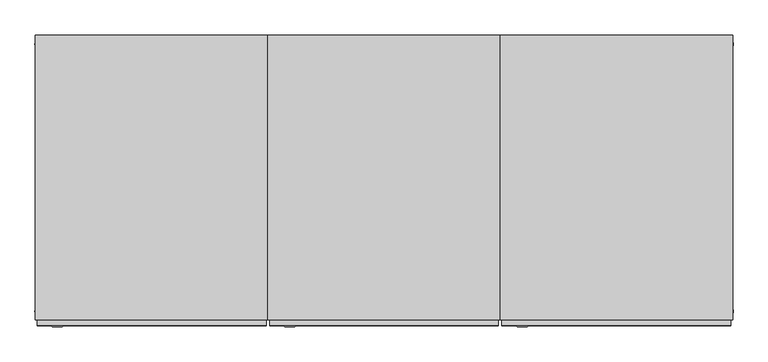
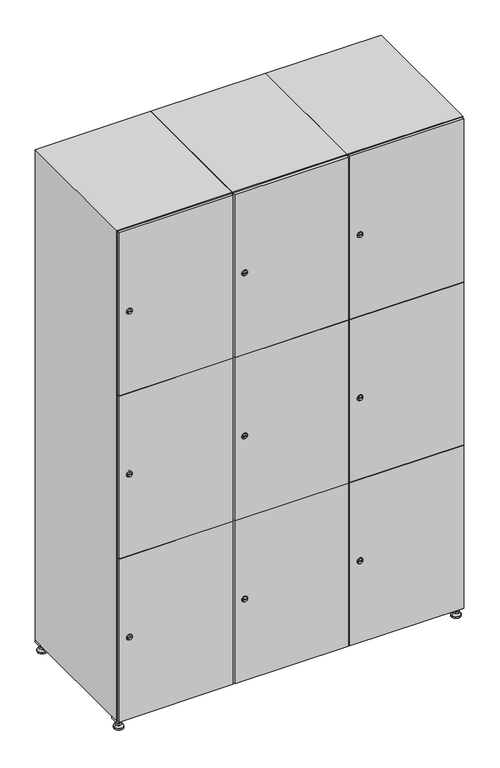
"""IFC4 building model written with IfcOpenShell, lengths in millimetres: furniture geometry."""

from ifc_helpers import new_model, si_unit, point, frame, frame_2d, origin, origin_with_axes, place, context, project, spatial, polyline, circle_curve, trimmed, segment, composite_curve, outline, extrude, faceted_brep, source, transform, mapped, element, save
from ifc_brep_helpers import plane_surface, revolved_surface, advanced_brep


def furniture_83f51d5f(model_context):
    return source(origin(), model_context, "Body", "SolidModel", [
        extrude(outline(polyline([(1000.0, 245.0), (1000.0, 215.0), (970.0, 215.0), (970.0, 245.0), (1000.0, 245.0)]), holes=[polyline([(998.0, 243.0), (972.0, 243.0), (972.0, 217.0), (998.0, 217.0), (998.0, 243.0)])]), frame((0.0, 0.0, 28.5), z_axis=(0.0, 0.0, 1.0), x_axis=(1.0, 0.0, 0.0)), (0.0, 0.0, 1.0), 6.5),
        extrude(outline(polyline([(970.0, -245.0), (970.0, -215.0), (1000.0, -215.0), (1000.0, -245.0), (970.0, -245.0)]), holes=[polyline([(972.0, -243.0), (998.0, -243.0), (998.0, -217.0), (972.0, -217.0), (972.0, -243.0)])]), frame((0.0, 0.0, 28.5), z_axis=(0.0, 0.0, 1.0), x_axis=(1.0, 0.0, 0.0)), (0.0, 0.0, 1.0), 6.5),
        extrude(outline(polyline([(-170.0, 245.0), (-170.0, 215.0), (-200.0, 215.0), (-200.0, 245.0), (-170.0, 245.0)]), holes=[polyline([(-172.0, 243.0), (-198.0, 243.0), (-198.0, 217.0), (-172.0, 217.0), (-172.0, 243.0)])]), frame((0.0, 0.0, 28.5), z_axis=(0.0, 0.0, 1.0), x_axis=(1.0, 0.0, 0.0)), (0.0, 0.0, 1.0), 6.5),
        extrude(outline(polyline([(-170.0, -215.0), (-170.0, -245.0), (-200.0, -245.0), (-200.0, -215.0), (-170.0, -215.0)]), holes=[polyline([(-198.0, -243.0), (-172.0, -243.0), (-172.0, -217.0), (-198.0, -217.0), (-198.0, -243.0)])]), frame((0.0, 0.0, 28.5), z_axis=(0.0, 0.0, 1.0), x_axis=(1.0, 0.0, 0.0)), (0.0, 0.0, 1.0), 6.5),
        extrude(outline(composite_curve([segment(trimmed(circle_curve(frame_2d((-185.0, 230.0)), 5.0), [point((-180.0, 230.0))], [point((-190.0, 230.0))], False, "CARTESIAN"), True, "CONTINUOUS"), segment(trimmed(circle_curve(frame_2d((-185.0, 230.0)), 5.0), [point((-190.0, 230.0))], [point((-180.0, 230.0))], False, "CARTESIAN"), True, "CONTINUOUS")], self_intersect=False)), frame((0.0, 0.0, 19.6), z_axis=(0.0, 0.0, 1.0), x_axis=(1.0, 0.0, 0.0)), (0.0, 0.0, 1.0), 15.4),
        extrude(outline(composite_curve([segment(trimmed(circle_curve(frame_2d((-185.0, -230.0)), 5.0), [point((-180.0, -230.0))], [point((-190.0, -230.0))], False, "CARTESIAN"), True, "CONTINUOUS"), segment(trimmed(circle_curve(frame_2d((-185.0, -230.0)), 5.0), [point((-190.0, -230.0))], [point((-180.0, -230.0))], False, "CARTESIAN"), True, "CONTINUOUS")], self_intersect=False)), frame((0.0, 0.0, 19.6), z_axis=(0.0, 0.0, 1.0), x_axis=(1.0, 0.0, 0.0)), (0.0, 0.0, 1.0), 15.4),
        extrude(outline(composite_curve([segment(trimmed(circle_curve(frame_2d((985.0, 230.0)), 5.0), [point((990.0, 230.0))], [point((980.0, 230.0))], False, "CARTESIAN"), True, "CONTINUOUS"), segment(trimmed(circle_curve(frame_2d((985.0, 230.0)), 5.0), [point((980.0, 230.0))], [point((990.0, 230.0))], False, "CARTESIAN"), True, "CONTINUOUS")], self_intersect=False)), frame((0.0, 0.0, 19.6), z_axis=(0.0, 0.0, 1.0), x_axis=(1.0, 0.0, 0.0)), (0.0, 0.0, 1.0), 15.4),
        extrude(outline(polyline([(973.4529946, 230.0), (979.2264973, 240.0), (990.7735027, 240.0), (996.5470054, 230.0), (990.7735027, 220.0), (979.2264973, 220.0), (973.4529946, 230.0)])), frame((0.0, 0.0, 13.6), z_axis=(0.0, 0.0, 1.0), x_axis=(1.0, 0.0, 0.0)), (0.0, 0.0, 1.0), 6.0),
        extrude(outline(composite_curve([segment(trimmed(circle_curve(frame_2d((985.0, -230.0)), 5.0), [point((990.0, -230.0))], [point((980.0, -230.0))], False, "CARTESIAN"), True, "CONTINUOUS"), segment(trimmed(circle_curve(frame_2d((985.0, -230.0)), 5.0), [point((980.0, -230.0))], [point((990.0, -230.0))], False, "CARTESIAN"), True, "CONTINUOUS")], self_intersect=False)), frame((0.0, 0.0, 19.6), z_axis=(0.0, 0.0, 1.0), x_axis=(1.0, 0.0, 0.0)), (0.0, 0.0, 1.0), 15.4),
        extrude(outline(polyline([(973.4529946, -230.0), (979.2264973, -220.0), (990.7735027, -220.0), (996.5470054, -230.0), (990.7735027, -240.0), (979.2264973, -240.0), (973.4529946, -230.0)])), frame((0.0, 0.0, 13.6), z_axis=(0.0, 0.0, 1.0), x_axis=(1.0, 0.0, 0.0)), (0.0, 0.0, 1.0), 6.0),
        extrude(outline(composite_curve([segment(trimmed(circle_curve(frame_2d((985.0, 230.0)), 5.0), [point((990.0, 230.0))], [point((980.0, 230.0))], False, "CARTESIAN"), True, "CONTINUOUS"), segment(trimmed(circle_curve(frame_2d((985.0, 230.0)), 5.0), [point((980.0, 230.0))], [point((990.0, 230.0))], False, "CARTESIAN"), True, "CONTINUOUS")], self_intersect=False)), frame((0.0, 0.0, 12.1), z_axis=(0.0, 0.0, 1.0), x_axis=(1.0, 0.0, 0.0)), (0.0, 0.0, 1.0), 1.5),
        extrude(outline(composite_curve([segment(trimmed(circle_curve(frame_2d((985.0, -230.0)), 5.0), [point((990.0, -230.0))], [point((980.0, -230.0))], False, "CARTESIAN"), True, "CONTINUOUS"), segment(trimmed(circle_curve(frame_2d((985.0, -230.0)), 5.0), [point((980.0, -230.0))], [point((990.0, -230.0))], False, "CARTESIAN"), True, "CONTINUOUS")], self_intersect=False)), frame((0.0, 0.0, 12.1), z_axis=(0.0, 0.0, 1.0), x_axis=(1.0, 0.0, 0.0)), (0.0, 0.0, 1.0), 1.5),
        extrude(outline(polyline([(-196.5470054, 230.0), (-190.7735027, 240.0), (-179.2264973, 240.0), (-173.4529946, 230.0), (-179.2264973, 220.0), (-190.7735027, 220.0), (-196.5470054, 230.0)])), frame((0.0, 0.0, 13.6), z_axis=(0.0, 0.0, 1.0), x_axis=(1.0, 0.0, 0.0)), (0.0, 0.0, 1.0), 6.0),
        extrude(outline(polyline([(-196.5470054, -230.0), (-190.7735027, -220.0), (-179.2264973, -220.0), (-173.4529946, -230.0), (-179.2264973, -240.0), (-190.7735027, -240.0), (-196.5470054, -230.0)])), frame((0.0, 0.0, 13.6), z_axis=(0.0, 0.0, 1.0), x_axis=(1.0, 0.0, 0.0)), (0.0, 0.0, 1.0), 6.0),
        extrude(outline(composite_curve([segment(trimmed(circle_curve(frame_2d((-185.0, 230.0)), 5.0), [point((-185.0, 235.0))], [point((-185.0, 225.0))], False, "CARTESIAN"), True, "CONTINUOUS"), segment(trimmed(circle_curve(frame_2d((-185.0, 230.0)), 5.0), [point((-185.0, 225.0))], [point((-185.0, 235.0))], False, "CARTESIAN"), True, "CONTINUOUS")], self_intersect=False)), frame((0.0, 0.0, 12.1), z_axis=(0.0, 0.0, 1.0), x_axis=(1.0, 0.0, 0.0)), (0.0, 0.0, 1.0), 1.5),
        extrude(outline(composite_curve([segment(trimmed(circle_curve(frame_2d((-185.0, -230.0)), 5.0), [point((-180.0, -230.0))], [point((-190.0, -230.0))], False, "CARTESIAN"), True, "CONTINUOUS"), segment(trimmed(circle_curve(frame_2d((-185.0, -230.0)), 5.0), [point((-190.0, -230.0))], [point((-180.0, -230.0))], False, "CARTESIAN"), True, "CONTINUOUS")], self_intersect=False)), frame((0.0, 0.0, 12.1), z_axis=(0.0, 0.0, 1.0), x_axis=(1.0, 0.0, 0.0)), (0.0, 0.0, 1.0), 1.5),
        extrude(outline(composite_curve([segment(trimmed(circle_curve(frame_2d((985.0, 230.0)), 15.75), [point((1000.75, 230.0))], [point((969.25, 230.0))], False, "CARTESIAN"), True, "CONTINUOUS"), segment(trimmed(circle_curve(frame_2d((985.0, 230.0)), 15.75), [point((969.25, 230.0))], [point((1000.75, 230.0))], False, "CARTESIAN"), True, "CONTINUOUS")], self_intersect=False)), origin_with_axes(), (0.0, 0.0, 1.0), 5.1),
        extrude(outline(composite_curve([segment(trimmed(circle_curve(frame_2d((985.0, -230.0)), 15.75), [point((985.0, -214.25))], [point((985.0, -245.75))], False, "CARTESIAN"), True, "CONTINUOUS"), segment(trimmed(circle_curve(frame_2d((985.0, -230.0)), 15.75), [point((985.0, -245.75))], [point((985.0, -214.25))], False, "CARTESIAN"), True, "CONTINUOUS")], self_intersect=False)), origin_with_axes(), (0.0, 0.0, 1.0), 5.1),
        extrude(outline(composite_curve([segment(trimmed(circle_curve(frame_2d((-185.0, -230.0)), 15.75), [point((-169.25, -230.0))], [point((-200.75, -230.0))], False, "CARTESIAN"), True, "CONTINUOUS"), segment(trimmed(circle_curve(frame_2d((-185.0, -230.0)), 15.75), [point((-200.75, -230.0))], [point((-169.25, -230.0))], False, "CARTESIAN"), True, "CONTINUOUS")], self_intersect=False)), origin_with_axes(), (0.0, 0.0, 1.0), 5.1),
        extrude(outline(composite_curve([segment(trimmed(circle_curve(frame_2d((-185.0, 230.0)), 15.75), [point((-169.25, 230.0))], [point((-200.75, 230.0))], False, "CARTESIAN"), True, "CONTINUOUS"), segment(trimmed(circle_curve(frame_2d((-185.0, 230.0)), 15.75), [point((-200.75, 230.0))], [point((-169.25, 230.0))], False, "CARTESIAN"), True, "CONTINUOUS")], self_intersect=False)), origin_with_axes(), (0.0, 0.0, 1.0), 5.1),
        advanced_brep(
        [(-185.0, 239.5, 12.1), (-185.0, 220.5, 12.1), (-185.0, 214.25, 5.1), (-185.0, 245.75, 5.1)],
        [
            (0, 1, circle_curve(frame((-185.0, 230.0, 12.1), z_axis=(0.0, 0.0, -1.0), x_axis=(0.0, 1.0, 0.0)), 9.5)),
            (1, 2),
            (2, 3, circle_curve(frame((-185.0, 230.0, 5.1), z_axis=(0.0, 0.0, 1.0), x_axis=(0.0, 1.0, 0.0)), 15.75)),
            (3, 0),
            (1, 0, circle_curve(frame((-185.0, 230.0, 12.1), z_axis=(0.0, 0.0, -1.0), x_axis=(0.0, -1.0, 0.0)), 9.5)),
            (3, 2, circle_curve(frame((-185.0, 230.0, 5.1), z_axis=(0.0, 0.0, 1.0), x_axis=(0.0, -1.0, 0.0)), 15.75)),
        ],
        [
            revolved_surface(polyline([(-185.0, 220.5, 12.099999999999998), (-185.0, 214.25, 5.099999999999998)]), (-185.0, 230.0, 22.74), (0.0, 0.0, -1.0)),
            revolved_surface(polyline([(-185.0, 239.5, 12.099999999999998), (-185.0, 245.75, 5.099999999999998)]), (-185.0, 230.0, 22.74), (0.0, 0.0, -1.0)),
            plane_surface(frame((-185.0, 230.0, 5.1), z_axis=(0.0, 0.0, -1.0), x_axis=(1.0, 0.0, 0.0))),
            plane_surface(frame((-185.0, 230.0, 12.1), z_axis=(0.0, 0.0, 1.0), x_axis=(1.0, 0.0, 0.0))),
        ],
        [
            (0, [[1, 2, 3, 4]]),
            (1, [[5, -4, 6, -2]]),
            (2, [[-3, -6]]),
            (3, [[-5, -1]]),
        ],
    ),
        advanced_brep(
        [(985.0, 239.5, 12.1), (985.0, 220.5, 12.1), (985.0, 214.25, 5.1), (985.0, 245.75, 5.1)],
        [
            (0, 1, circle_curve(frame((985.0, 230.0, 12.1), z_axis=(0.0, 0.0, -1.0), x_axis=(0.0, 1.0, 0.0)), 9.5)),
            (1, 2),
            (2, 3, circle_curve(frame((985.0, 230.0, 5.1), z_axis=(0.0, 0.0, 1.0), x_axis=(0.0, 1.0, 0.0)), 15.75)),
            (3, 0),
            (1, 0, circle_curve(frame((985.0, 230.0, 12.1), z_axis=(0.0, 0.0, -1.0), x_axis=(0.0, -1.0, 0.0)), 9.5)),
            (3, 2, circle_curve(frame((985.0, 230.0, 5.1), z_axis=(0.0, 0.0, 1.0), x_axis=(0.0, -1.0, 0.0)), 15.75)),
        ],
        [
            revolved_surface(polyline([(985.0, 220.5, 12.099999999999998), (985.0, 214.25, 5.099999999999998)]), (985.0, 230.0, 22.74), (0.0, 0.0, -1.0)),
            revolved_surface(polyline([(985.0, 239.5, 12.099999999999998), (985.0, 245.75, 5.099999999999998)]), (985.0, 230.0, 22.74), (0.0, 0.0, -1.0)),
            plane_surface(frame((985.0, 230.0, 5.1), z_axis=(0.0, 0.0, -1.0), x_axis=(1.0, 0.0, 0.0))),
            plane_surface(frame((985.0, 230.0, 12.1), z_axis=(0.0, 0.0, 1.0), x_axis=(1.0, 0.0, 0.0))),
        ],
        [
            (0, [[1, 2, 3, 4]]),
            (1, [[5, -4, 6, -2]]),
            (2, [[-3, -6]]),
            (3, [[-5, -1]]),
        ],
    ),
        advanced_brep(
        [(1000.75, -230.0, 5.1), (969.25, -230.0, 5.1), (975.5, -230.0, 12.1), (994.5, -230.0, 12.1)],
        [
            (0, 1, circle_curve(frame((985.0, -230.0, 5.1), z_axis=(0.0, 0.0, 1.0), x_axis=(1.0, 0.0, 0.0)), 15.75)),
            (1, 2),
            (2, 3, circle_curve(frame((985.0, -230.0, 12.1), z_axis=(0.0, 0.0, -1.0), x_axis=(1.0, 0.0, 0.0)), 9.5)),
            (3, 0),
            (1, 0, circle_curve(frame((985.0, -230.0, 5.1), z_axis=(0.0, 0.0, 1.0), x_axis=(-1.0, 0.0, 0.0)), 15.75)),
            (3, 2, circle_curve(frame((985.0, -230.0, 12.1), z_axis=(0.0, 0.0, -1.0), x_axis=(-1.0, 0.0, 0.0)), 9.5)),
        ],
        [
            revolved_surface(polyline([(994.5, -230.0, 12.099999999999998), (1000.75, -230.0, 5.099999999999998)]), (985.0, -230.0, 22.74), (0.0, 0.0, -1.0)),
            revolved_surface(polyline([(975.5, -230.0, 12.099999999999998), (969.25, -230.0, 5.099999999999998)]), (985.0, -230.0, 22.74), (0.0, 0.0, -1.0)),
            plane_surface(frame((985.0, -230.0, 12.1), z_axis=(0.0, 0.0, 1.0), x_axis=(0.0, 1.0, 0.0))),
            plane_surface(frame((985.0, -230.0, 5.1), z_axis=(0.0, 0.0, -1.0), x_axis=(0.0, 1.0, 0.0))),
        ],
        [
            (0, [[1, 2, 3, 4]]),
            (1, [[5, -4, 6, -2]]),
            (2, [[-3, -6]]),
            (3, [[-5, -1]]),
        ],
    ),
        advanced_brep(
        [(-169.25, -230.0, 5.1), (-200.75, -230.0, 5.1), (-194.5, -230.0, 12.1), (-175.5, -230.0, 12.1)],
        [
            (0, 1, circle_curve(frame((-185.0, -230.0, 5.1), z_axis=(0.0, 0.0, 1.0), x_axis=(1.0, 0.0, 0.0)), 15.75)),
            (1, 2),
            (2, 3, circle_curve(frame((-185.0, -230.0, 12.1), z_axis=(0.0, 0.0, -1.0), x_axis=(1.0, 0.0, 0.0)), 9.5)),
            (3, 0),
            (1, 0, circle_curve(frame((-185.0, -230.0, 5.1), z_axis=(0.0, 0.0, 1.0), x_axis=(-1.0, 0.0, 0.0)), 15.75)),
            (3, 2, circle_curve(frame((-185.0, -230.0, 12.1), z_axis=(0.0, 0.0, -1.0), x_axis=(-1.0, 0.0, 0.0)), 9.5)),
        ],
        [
            revolved_surface(polyline([(-175.5, -230.0, 12.099999999999998), (-169.25, -230.0, 5.099999999999998)]), (-185.0, -230.0, 22.74), (0.0, 0.0, -1.0)),
            revolved_surface(polyline([(-194.5, -230.0, 12.099999999999998), (-200.75, -230.0, 5.099999999999998)]), (-185.0, -230.0, 22.74), (0.0, 0.0, -1.0)),
            plane_surface(frame((-185.0, -230.0, 12.1), z_axis=(0.0, 0.0, 1.0), x_axis=(0.0, 1.0, 0.0))),
            plane_surface(frame((-185.0, -230.0, 5.1), z_axis=(0.0, 0.0, -1.0), x_axis=(0.0, 1.0, 0.0))),
        ],
        [
            (0, [[1, 2, 3, 4]]),
            (1, [[5, -4, 6, -2]]),
            (2, [[-3, -6]]),
            (3, [[-5, -1]]),
        ],
    ),
        extrude(outline(composite_curve([segment(trimmed(circle_curve(frame_2d((337.0, 611.2010534)), 7.0), [point((344.0, 611.2010534))], [point((330.0, 611.2010534))], False, "CARTESIAN"), True, "CONTINUOUS"), segment(polyline([(330.0, 611.2010534), (330.0, 639.2010534)]), True, "CONTINUOUS"), segment(trimmed(circle_curve(frame_2d((337.0, 639.2010534)), 7.0), [point((330.0, 639.2010534))], [point((344.0, 639.2010534))], False, "CARTESIAN"), True, "CONTINUOUS"), segment(polyline([(344.0, 639.2010534), (344.0, 611.2010534)]), True, "CONTINUOUS")], self_intersect=False)), frame((0.0, -245.0, 0.0), z_axis=(0.0, 1.0, 0.0), x_axis=(0.0, 0.0, 1.0)), (0.0, 0.0, 1.0), 2.0),
        advanced_brep(
        [(646.5, -257.2, 337.0), (629.5, -257.2, 337.0), (633.0, -257.2, 335.75), (633.0, -257.2, 338.25), (643.0, -257.2, 338.25), (643.0, -257.2, 335.75), (648.5, -255.0, 337.0), (627.5, -255.0, 337.0), (633.0, -255.0, 338.25), (633.0, -255.0, 335.75), (643.0, -255.0, 335.75), (643.0, -255.0, 338.25)],
        [
            (0, 1, circle_curve(frame((638.0, -257.2, 337.0), z_axis=(0.0, -1.0, 0.0), x_axis=(1.0, 0.0, 0.0)), 8.5)),
            (1, 0, circle_curve(frame((638.0, -257.2, 337.0), z_axis=(0.0, -1.0, 0.0), x_axis=(-1.0, 0.0, 0.0)), 8.5)),
            (2, 3),
            (3, 4),
            (4, 5),
            (5, 2),
            (6, 7, circle_curve(frame((638.0, -255.0, 337.0), z_axis=(0.0, 1.0, 0.0), x_axis=(-1.0, 0.0, 0.0)), 10.5)),
            (7, 6, circle_curve(frame((638.0, -255.0, 337.0), z_axis=(0.0, 1.0, 0.0), x_axis=(1.0, 0.0, 0.0)), 10.5)),
            (8, 9),
            (9, 10),
            (10, 11),
            (11, 8),
            (0, 6),
            (7, 1),
            (8, 3),
            (2, 9),
            (11, 4),
            (10, 5),
        ],
        [
            plane_surface(frame((638.0, -257.2, 337.0), z_axis=(0.0, -1.0, 0.0), x_axis=(0.0, 0.0, 1.0))),
            plane_surface(frame((638.0, -255.0, 337.0), z_axis=(0.0, 1.0, 0.0), x_axis=(0.0, 0.0, 1.0))),
            revolved_surface(polyline([(646.5, -257.2, 337.0), (648.5, -255.0, 337.0)]), (638.0, -266.55, 337.0), (0.0, 1.0, 0.0)),
            revolved_surface(polyline([(629.5, -257.2, 337.0), (627.5, -255.0, 337.0)]), (638.0, -266.55, 337.0), (0.0, 1.0, 0.0)),
            plane_surface(frame((633.0, -255.0, 335.75), z_axis=(1.0, 0.0, 0.0), x_axis=(0.0, -1.0, 0.0))),
            plane_surface(frame((633.0, -255.0, 338.25), z_axis=(0.0, 0.0, -1.0), x_axis=(0.0, -1.0, 0.0))),
            plane_surface(frame((643.0, -255.0, 338.25), z_axis=(-1.0, 0.0, 0.0), x_axis=(0.0, -1.0, 0.0))),
            plane_surface(frame((643.0, -255.0, 335.75), z_axis=(0.0, 0.0, 1.0), x_axis=(0.0, -1.0, 0.0))),
        ],
        [
            (0, [[1, 2], [3, 4, 5, 6]]),
            (1, [[7, 8], [9, 10, 11, 12]]),
            (2, [[-1, 13, -8, 14]]),
            (3, [[-2, -14, -7, -13]]),
            (4, [[15, -3, 16, -9]]),
            (5, [[-15, -12, 17, -4]]),
            (6, [[-17, -11, 18, -5]]),
            (7, [[-16, -6, -18, -10]]),
        ],
    ),
        extrude(outline(composite_curve([segment(trimmed(circle_curve(frame_2d((935.0, 611.2010534)), 7.0), [point((942.0, 611.2010534))], [point((928.0, 611.2010534))], False, "CARTESIAN"), True, "CONTINUOUS"), segment(polyline([(928.0, 611.2010534), (928.0, 639.2010534)]), True, "CONTINUOUS"), segment(trimmed(circle_curve(frame_2d((935.0, 639.2010534)), 7.0), [point((928.0, 639.2010534))], [point((942.0, 639.2010534))], False, "CARTESIAN"), True, "CONTINUOUS"), segment(polyline([(942.0, 639.2010534), (942.0, 611.2010534)]), True, "CONTINUOUS")], self_intersect=False)), frame((0.0, -245.0, 0.0), z_axis=(0.0, 1.0, 0.0), x_axis=(0.0, 0.0, 1.0)), (0.0, 0.0, 1.0), 2.0),
        advanced_brep(
        [(646.5, -257.2, 935.0), (629.5, -257.2, 935.0), (633.0, -257.2, 933.75), (633.0, -257.2, 936.25), (643.0, -257.2, 936.25), (643.0, -257.2, 933.75), (648.5, -255.0, 935.0), (627.5, -255.0, 935.0), (633.0, -255.0, 936.25), (633.0, -255.0, 933.75), (643.0, -255.0, 933.75), (643.0, -255.0, 936.25)],
        [
            (0, 1, circle_curve(frame((638.0, -257.2, 935.0), z_axis=(0.0, -1.0, 0.0), x_axis=(1.0, 0.0, 0.0)), 8.5)),
            (1, 0, circle_curve(frame((638.0, -257.2, 935.0), z_axis=(0.0, -1.0, 0.0), x_axis=(-1.0, 0.0, 0.0)), 8.5)),
            (2, 3),
            (3, 4),
            (4, 5),
            (5, 2),
            (6, 7, circle_curve(frame((638.0, -255.0, 935.0), z_axis=(0.0, 1.0, 0.0), x_axis=(-1.0, 0.0, 0.0)), 10.5)),
            (7, 6, circle_curve(frame((638.0, -255.0, 935.0), z_axis=(0.0, 1.0, 0.0), x_axis=(1.0, 0.0, 0.0)), 10.5)),
            (8, 9),
            (9, 10),
            (10, 11),
            (11, 8),
            (0, 6),
            (7, 1),
            (8, 3),
            (2, 9),
            (11, 4),
            (10, 5),
        ],
        [
            plane_surface(frame((638.0, -257.2, 935.0), z_axis=(0.0, -1.0, 0.0), x_axis=(0.0, 0.0, 1.0))),
            plane_surface(frame((638.0, -255.0, 935.0), z_axis=(0.0, 1.0, 0.0), x_axis=(0.0, 0.0, 1.0))),
            revolved_surface(polyline([(646.5, -257.2, 935.0), (648.5, -255.0, 935.0)]), (638.0, -266.55, 935.0), (0.0, 1.0, 0.0)),
            revolved_surface(polyline([(629.5, -257.2, 935.0), (627.5, -255.0, 935.0)]), (638.0, -266.55, 935.0), (0.0, 1.0, 0.0)),
            plane_surface(frame((633.0, -255.0, 933.75), z_axis=(1.0, 0.0, 0.0), x_axis=(0.0, -1.0, 0.0))),
            plane_surface(frame((633.0, -255.0, 936.25), z_axis=(0.0, 0.0, -1.0), x_axis=(0.0, -1.0, 0.0))),
            plane_surface(frame((643.0, -255.0, 936.25), z_axis=(-1.0, 0.0, 0.0), x_axis=(0.0, -1.0, 0.0))),
            plane_surface(frame((643.0, -255.0, 933.75), z_axis=(0.0, 0.0, 1.0), x_axis=(0.0, -1.0, 0.0))),
        ],
        [
            (0, [[1, 2], [3, 4, 5, 6]]),
            (1, [[7, 8], [9, 10, 11, 12]]),
            (2, [[-1, 13, -8, 14]]),
            (3, [[-2, -14, -7, -13]]),
            (4, [[15, -3, 16, -9]]),
            (5, [[-15, -12, 17, -4]]),
            (6, [[-17, -11, 18, -5]]),
            (7, [[-16, -6, -18, -10]]),
        ],
    ),
        extrude(outline(composite_curve([segment(trimmed(circle_curve(frame_2d((1533.0, 611.2010534)), 7.0), [point((1540.0, 611.2010534))], [point((1526.0, 611.2010534))], False, "CARTESIAN"), True, "CONTINUOUS"), segment(polyline([(1526.0, 611.2010534), (1526.0, 639.2010534)]), True, "CONTINUOUS"), segment(trimmed(circle_curve(frame_2d((1533.0, 639.2010534)), 7.0), [point((1526.0, 639.2010534))], [point((1540.0, 639.2010534))], False, "CARTESIAN"), True, "CONTINUOUS"), segment(polyline([(1540.0, 639.2010534), (1540.0, 611.2010534)]), True, "CONTINUOUS")], self_intersect=False)), frame((0.0, -245.0, 0.0), z_axis=(0.0, 1.0, 0.0), x_axis=(0.0, 0.0, 1.0)), (0.0, 0.0, 1.0), 2.0),
        advanced_brep(
        [(646.5, -257.2, 1533.0), (629.5, -257.2, 1533.0), (633.0, -257.2, 1531.75), (633.0, -257.2, 1534.25), (643.0, -257.2, 1534.25), (643.0, -257.2, 1531.75), (648.5, -255.0, 1533.0), (627.5, -255.0, 1533.0), (633.0, -255.0, 1534.25), (633.0, -255.0, 1531.75), (643.0, -255.0, 1531.75), (643.0, -255.0, 1534.25)],
        [
            (0, 1, circle_curve(frame((638.0, -257.2, 1533.0), z_axis=(0.0, -1.0, 0.0), x_axis=(1.0, 0.0, 0.0)), 8.5)),
            (1, 0, circle_curve(frame((638.0, -257.2, 1533.0), z_axis=(0.0, -1.0, 0.0), x_axis=(-1.0, 0.0, 0.0)), 8.5)),
            (2, 3),
            (3, 4),
            (4, 5),
            (5, 2),
            (6, 7, circle_curve(frame((638.0, -255.0, 1533.0), z_axis=(0.0, 1.0, 0.0), x_axis=(-1.0, 0.0, 0.0)), 10.5)),
            (7, 6, circle_curve(frame((638.0, -255.0, 1533.0), z_axis=(0.0, 1.0, 0.0), x_axis=(1.0, 0.0, 0.0)), 10.5)),
            (8, 9),
            (9, 10),
            (10, 11),
            (11, 8),
            (0, 6),
            (7, 1),
            (8, 3),
            (2, 9),
            (11, 4),
            (10, 5),
        ],
        [
            plane_surface(frame((638.0, -257.2, 1533.0), z_axis=(0.0, -1.0, 0.0), x_axis=(0.0, 0.0, 1.0))),
            plane_surface(frame((638.0, -255.0, 1533.0), z_axis=(0.0, 1.0, 0.0), x_axis=(0.0, 0.0, 1.0))),
            revolved_surface(polyline([(646.5, -257.2, 1533.0), (648.5, -255.0, 1533.0)]), (638.0, -266.55, 1533.0), (0.0, 1.0, 0.0)),
            revolved_surface(polyline([(629.5, -257.2, 1533.0), (627.5, -255.0, 1533.0)]), (638.0, -266.55, 1533.0), (0.0, 1.0, 0.0)),
            plane_surface(frame((633.0, -255.0, 1531.75), z_axis=(1.0, 0.0, 0.0), x_axis=(0.0, -1.0, 0.0))),
            plane_surface(frame((633.0, -255.0, 1534.25), z_axis=(0.0, 0.0, -1.0), x_axis=(0.0, -1.0, 0.0))),
            plane_surface(frame((643.0, -255.0, 1534.25), z_axis=(-1.0, 0.0, 0.0), x_axis=(0.0, -1.0, 0.0))),
            plane_surface(frame((643.0, -255.0, 1531.75), z_axis=(0.0, 0.0, 1.0), x_axis=(0.0, -1.0, 0.0))),
        ],
        [
            (0, [[1, 2], [3, 4, 5, 6]]),
            (1, [[7, 8], [9, 10, 11, 12]]),
            (2, [[-1, 13, -8, 14]]),
            (3, [[-2, -14, -7, -13]]),
            (4, [[15, -3, 16, -9]]),
            (5, [[-15, -12, 17, -4]]),
            (6, [[-17, -11, 18, -5]]),
            (7, [[-16, -6, -18, -10]]),
        ],
    ),
        extrude(outline(polyline([(997.0, -245.0), (997.0, -255.0), (603.0, -255.0), (603.0, -245.0), (997.0, -245.0)])), frame((0.0, 0.0, 636.5), z_axis=(0.0, 0.0, 1.0), x_axis=(1.0, 0.0, 0.0)), (0.0, 0.0, 1.0), 597.0),
        extrude(outline(polyline([(603.0, -255.0), (603.0, -245.0), (997.0, -245.0), (997.0, -255.0), (603.0, -255.0)])), frame((0.0, 0.0, 1234.5), z_axis=(0.0, 0.0, 1.0), x_axis=(1.0, 0.0, 0.0)), (0.0, 0.0, 1.0), 597.5),
        extrude(outline(polyline([(997.0, -245.0), (997.0, -255.0), (603.0, -255.0), (603.0, -245.0), (997.0, -245.0)])), frame((0.0, 0.0, 38.0), z_axis=(0.0, 0.0, 1.0), x_axis=(1.0, 0.0, 0.0)), (0.0, 0.0, 1.0), 597.5),
        extrude(outline(polyline([(979.6, 242.0), (979.6, -235.0), (620.4, -235.0), (620.4, 242.0), (979.6, 242.0)])), frame((0.0, 0.0, 1214.7333333), z_axis=(0.0, 0.0, 1.0), x_axis=(1.0, 0.0, 0.0)), (0.0, 0.0, 1.0), 20.4),
        extrude(outline(polyline([(620.4, 242.0), (979.6, 242.0), (979.6, -235.0), (620.4, -235.0), (620.4, 242.0)])), frame((0.0, 0.0, 634.8666667), z_axis=(0.0, 0.0, 1.0), x_axis=(1.0, 0.0, 0.0)), (0.0, 0.0, 1.0), 20.4),
        faceted_brep([(1000.0, -245.0, 35.0), (1000.0, -245.0, 1835.0), (600.0, -245.0, 1835.0), (600.0, -245.0, 35.0), (979.6, -245.0, 1804.8), (979.6, -245.0, 65.2), (620.4, -245.0, 65.2), (620.4, -245.0, 1804.8), (1000.0, 245.0, 35.0), (600.0, 245.0, 35.0), (1000.0, 245.0, 1835.0), (600.0, 245.0, 1835.0), (979.6, 242.0, 1804.8), (979.6, 242.0, 65.2), (600.0, 245.0, 1804.8), (620.4, 242.0, 1804.8), (620.4, 242.0, 65.2)], [[[0, 1, 2, 3], [4, 5, 6, 7]], [[8, 0, 3, 9]], [[1, 0, 8, 10]], [[1, 10, 11, 2]], [[4, 12, 13, 5]], [[9, 3, 2, 11, 14]], [[10, 8, 9, 14, 11]], [[12, 15, 16, 13]], [[15, 7, 6, 16]], [[4, 7, 15, 12]], [[6, 5, 13, 16]]]),
        extrude(outline(composite_curve([segment(trimmed(circle_curve(frame_2d((337.0, 211.2010534)), 7.0), [point((344.0, 211.2010534))], [point((330.0, 211.2010534))], False, "CARTESIAN"), True, "CONTINUOUS"), segment(polyline([(330.0, 211.2010534), (330.0, 239.2010534)]), True, "CONTINUOUS"), segment(trimmed(circle_curve(frame_2d((337.0, 239.2010534)), 7.0), [point((330.0, 239.2010534))], [point((344.0, 239.2010534))], False, "CARTESIAN"), True, "CONTINUOUS"), segment(polyline([(344.0, 239.2010534), (344.0, 211.2010534)]), True, "CONTINUOUS")], self_intersect=False)), frame((0.0, -245.0, 0.0), z_axis=(0.0, 1.0, 0.0), x_axis=(0.0, 0.0, 1.0)), (0.0, 0.0, 1.0), 2.0),
        advanced_brep(
        [(246.5, -257.2, 337.0), (229.5, -257.2, 337.0), (233.0, -257.2, 335.75), (233.0, -257.2, 338.25), (243.0, -257.2, 338.25), (243.0, -257.2, 335.75), (248.5, -255.0, 337.0), (227.5, -255.0, 337.0), (233.0, -255.0, 338.25), (233.0, -255.0, 335.75), (243.0, -255.0, 335.75), (243.0, -255.0, 338.25)],
        [
            (0, 1, circle_curve(frame((238.0, -257.2, 337.0), z_axis=(0.0, -1.0, 0.0), x_axis=(1.0, 0.0, 0.0)), 8.5)),
            (1, 0, circle_curve(frame((238.0, -257.2, 337.0), z_axis=(0.0, -1.0, 0.0), x_axis=(-1.0, 0.0, 0.0)), 8.5)),
            (2, 3),
            (3, 4),
            (4, 5),
            (5, 2),
            (6, 7, circle_curve(frame((238.0, -255.0, 337.0), z_axis=(0.0, 1.0, 0.0), x_axis=(-1.0, 0.0, 0.0)), 10.5)),
            (7, 6, circle_curve(frame((238.0, -255.0, 337.0), z_axis=(0.0, 1.0, 0.0), x_axis=(1.0, 0.0, 0.0)), 10.5)),
            (8, 9),
            (9, 10),
            (10, 11),
            (11, 8),
            (0, 6),
            (7, 1),
            (8, 3),
            (2, 9),
            (11, 4),
            (10, 5),
        ],
        [
            plane_surface(frame((238.0, -257.2, 337.0), z_axis=(0.0, -1.0, 0.0), x_axis=(0.0, 0.0, 1.0))),
            plane_surface(frame((238.0, -255.0, 337.0), z_axis=(0.0, 1.0, 0.0), x_axis=(0.0, 0.0, 1.0))),
            revolved_surface(polyline([(246.5, -257.2, 337.0), (248.5, -255.0, 337.0)]), (238.0, -266.55, 337.0), (0.0, 1.0, 0.0)),
            revolved_surface(polyline([(229.5, -257.2, 337.0), (227.5, -255.0, 337.0)]), (238.0, -266.55, 337.0), (0.0, 1.0, 0.0)),
            plane_surface(frame((233.0, -255.0, 335.75), z_axis=(1.0, 0.0, 0.0), x_axis=(0.0, -1.0, 0.0))),
            plane_surface(frame((233.0, -255.0, 338.25), z_axis=(0.0, 0.0, -1.0), x_axis=(0.0, -1.0, 0.0))),
            plane_surface(frame((243.0, -255.0, 338.25), z_axis=(-1.0, 0.0, 0.0), x_axis=(0.0, -1.0, 0.0))),
            plane_surface(frame((243.0, -255.0, 335.75), z_axis=(0.0, 0.0, 1.0), x_axis=(0.0, -1.0, 0.0))),
        ],
        [
            (0, [[1, 2], [3, 4, 5, 6]]),
            (1, [[7, 8], [9, 10, 11, 12]]),
            (2, [[-1, 13, -8, 14]]),
            (3, [[-2, -14, -7, -13]]),
            (4, [[15, -3, 16, -9]]),
            (5, [[-15, -12, 17, -4]]),
            (6, [[-17, -11, 18, -5]]),
            (7, [[-16, -6, -18, -10]]),
        ],
    ),
        extrude(outline(composite_curve([segment(trimmed(circle_curve(frame_2d((935.0, 211.2010534)), 7.0), [point((942.0, 211.2010534))], [point((928.0, 211.2010534))], False, "CARTESIAN"), True, "CONTINUOUS"), segment(polyline([(928.0, 211.2010534), (928.0, 239.2010534)]), True, "CONTINUOUS"), segment(trimmed(circle_curve(frame_2d((935.0, 239.2010534)), 7.0), [point((928.0, 239.2010534))], [point((942.0, 239.2010534))], False, "CARTESIAN"), True, "CONTINUOUS"), segment(polyline([(942.0, 239.2010534), (942.0, 211.2010534)]), True, "CONTINUOUS")], self_intersect=False)), frame((0.0, -245.0, 0.0), z_axis=(0.0, 1.0, 0.0), x_axis=(0.0, 0.0, 1.0)), (0.0, 0.0, 1.0), 2.0),
        advanced_brep(
        [(246.5, -257.2, 935.0), (229.5, -257.2, 935.0), (233.0, -257.2, 933.75), (233.0, -257.2, 936.25), (243.0, -257.2, 936.25), (243.0, -257.2, 933.75), (248.5, -255.0, 935.0), (227.5, -255.0, 935.0), (233.0, -255.0, 936.25), (233.0, -255.0, 933.75), (243.0, -255.0, 933.75), (243.0, -255.0, 936.25)],
        [
            (0, 1, circle_curve(frame((238.0, -257.2, 935.0), z_axis=(0.0, -1.0, 0.0), x_axis=(1.0, 0.0, 0.0)), 8.5)),
            (1, 0, circle_curve(frame((238.0, -257.2, 935.0), z_axis=(0.0, -1.0, 0.0), x_axis=(-1.0, 0.0, 0.0)), 8.5)),
            (2, 3),
            (3, 4),
            (4, 5),
            (5, 2),
            (6, 7, circle_curve(frame((238.0, -255.0, 935.0), z_axis=(0.0, 1.0, 0.0), x_axis=(-1.0, 0.0, 0.0)), 10.5)),
            (7, 6, circle_curve(frame((238.0, -255.0, 935.0), z_axis=(0.0, 1.0, 0.0), x_axis=(1.0, 0.0, 0.0)), 10.5)),
            (8, 9),
            (9, 10),
            (10, 11),
            (11, 8),
            (0, 6),
            (7, 1),
            (8, 3),
            (2, 9),
            (11, 4),
            (10, 5),
        ],
        [
            plane_surface(frame((238.0, -257.2, 935.0), z_axis=(0.0, -1.0, 0.0), x_axis=(0.0, 0.0, 1.0))),
            plane_surface(frame((238.0, -255.0, 935.0), z_axis=(0.0, 1.0, 0.0), x_axis=(0.0, 0.0, 1.0))),
            revolved_surface(polyline([(246.5, -257.2, 935.0), (248.5, -255.0, 935.0)]), (238.0, -266.55, 935.0), (0.0, 1.0, 0.0)),
            revolved_surface(polyline([(229.5, -257.2, 935.0), (227.5, -255.0, 935.0)]), (238.0, -266.55, 935.0), (0.0, 1.0, 0.0)),
            plane_surface(frame((233.0, -255.0, 933.75), z_axis=(1.0, 0.0, 0.0), x_axis=(0.0, -1.0, 0.0))),
            plane_surface(frame((233.0, -255.0, 936.25), z_axis=(0.0, 0.0, -1.0), x_axis=(0.0, -1.0, 0.0))),
            plane_surface(frame((243.0, -255.0, 936.25), z_axis=(-1.0, 0.0, 0.0), x_axis=(0.0, -1.0, 0.0))),
            plane_surface(frame((243.0, -255.0, 933.75), z_axis=(0.0, 0.0, 1.0), x_axis=(0.0, -1.0, 0.0))),
        ],
        [
            (0, [[1, 2], [3, 4, 5, 6]]),
            (1, [[7, 8], [9, 10, 11, 12]]),
            (2, [[-1, 13, -8, 14]]),
            (3, [[-2, -14, -7, -13]]),
            (4, [[15, -3, 16, -9]]),
            (5, [[-15, -12, 17, -4]]),
            (6, [[-17, -11, 18, -5]]),
            (7, [[-16, -6, -18, -10]]),
        ],
    ),
        extrude(outline(composite_curve([segment(trimmed(circle_curve(frame_2d((1533.0, 211.2010534)), 7.0), [point((1540.0, 211.2010534))], [point((1526.0, 211.2010534))], False, "CARTESIAN"), True, "CONTINUOUS"), segment(polyline([(1526.0, 211.2010534), (1526.0, 239.2010534)]), True, "CONTINUOUS"), segment(trimmed(circle_curve(frame_2d((1533.0, 239.2010534)), 7.0), [point((1526.0, 239.2010534))], [point((1540.0, 239.2010534))], False, "CARTESIAN"), True, "CONTINUOUS"), segment(polyline([(1540.0, 239.2010534), (1540.0, 211.2010534)]), True, "CONTINUOUS")], self_intersect=False)), frame((0.0, -245.0, 0.0), z_axis=(0.0, 1.0, 0.0), x_axis=(0.0, 0.0, 1.0)), (0.0, 0.0, 1.0), 2.0),
        advanced_brep(
        [(246.5, -257.2, 1533.0), (229.5, -257.2, 1533.0), (233.0, -257.2, 1531.75), (233.0, -257.2, 1534.25), (243.0, -257.2, 1534.25), (243.0, -257.2, 1531.75), (248.5, -255.0, 1533.0), (227.5, -255.0, 1533.0), (233.0, -255.0, 1534.25), (233.0, -255.0, 1531.75), (243.0, -255.0, 1531.75), (243.0, -255.0, 1534.25)],
        [
            (0, 1, circle_curve(frame((238.0, -257.2, 1533.0), z_axis=(0.0, -1.0, 0.0), x_axis=(1.0, 0.0, 0.0)), 8.5)),
            (1, 0, circle_curve(frame((238.0, -257.2, 1533.0), z_axis=(0.0, -1.0, 0.0), x_axis=(-1.0, 0.0, 0.0)), 8.5)),
            (2, 3),
            (3, 4),
            (4, 5),
            (5, 2),
            (6, 7, circle_curve(frame((238.0, -255.0, 1533.0), z_axis=(0.0, 1.0, 0.0), x_axis=(-1.0, 0.0, 0.0)), 10.5)),
            (7, 6, circle_curve(frame((238.0, -255.0, 1533.0), z_axis=(0.0, 1.0, 0.0), x_axis=(1.0, 0.0, 0.0)), 10.5)),
            (8, 9),
            (9, 10),
            (10, 11),
            (11, 8),
            (0, 6),
            (7, 1),
            (8, 3),
            (2, 9),
            (11, 4),
            (10, 5),
        ],
        [
            plane_surface(frame((238.0, -257.2, 1533.0), z_axis=(0.0, -1.0, 0.0), x_axis=(0.0, 0.0, 1.0))),
            plane_surface(frame((238.0, -255.0, 1533.0), z_axis=(0.0, 1.0, 0.0), x_axis=(0.0, 0.0, 1.0))),
            revolved_surface(polyline([(246.5, -257.2, 1533.0), (248.5, -255.0, 1533.0)]), (238.0, -266.55, 1533.0), (0.0, 1.0, 0.0)),
            revolved_surface(polyline([(229.5, -257.2, 1533.0), (227.5, -255.0, 1533.0)]), (238.0, -266.55, 1533.0), (0.0, 1.0, 0.0)),
            plane_surface(frame((233.0, -255.0, 1531.75), z_axis=(1.0, 0.0, 0.0), x_axis=(0.0, -1.0, 0.0))),
            plane_surface(frame((233.0, -255.0, 1534.25), z_axis=(0.0, 0.0, -1.0), x_axis=(0.0, -1.0, 0.0))),
            plane_surface(frame((243.0, -255.0, 1534.25), z_axis=(-1.0, 0.0, 0.0), x_axis=(0.0, -1.0, 0.0))),
            plane_surface(frame((243.0, -255.0, 1531.75), z_axis=(0.0, 0.0, 1.0), x_axis=(0.0, -1.0, 0.0))),
        ],
        [
            (0, [[1, 2], [3, 4, 5, 6]]),
            (1, [[7, 8], [9, 10, 11, 12]]),
            (2, [[-1, 13, -8, 14]]),
            (3, [[-2, -14, -7, -13]]),
            (4, [[15, -3, 16, -9]]),
            (5, [[-15, -12, 17, -4]]),
            (6, [[-17, -11, 18, -5]]),
            (7, [[-16, -6, -18, -10]]),
        ],
    ),
        extrude(outline(polyline([(597.0, -245.0), (597.0, -255.0), (203.0, -255.0), (203.0, -245.0), (597.0, -245.0)])), frame((0.0, 0.0, 636.5), z_axis=(0.0, 0.0, 1.0), x_axis=(1.0, 0.0, 0.0)), (0.0, 0.0, 1.0), 597.0),
        extrude(outline(polyline([(203.0, -255.0), (203.0, -245.0), (597.0, -245.0), (597.0, -255.0), (203.0, -255.0)])), frame((0.0, 0.0, 1234.5), z_axis=(0.0, 0.0, 1.0), x_axis=(1.0, 0.0, 0.0)), (0.0, 0.0, 1.0), 597.5),
        extrude(outline(polyline([(597.0, -245.0), (597.0, -255.0), (203.0, -255.0), (203.0, -245.0), (597.0, -245.0)])), frame((0.0, 0.0, 38.0), z_axis=(0.0, 0.0, 1.0), x_axis=(1.0, 0.0, 0.0)), (0.0, 0.0, 1.0), 597.5),
        extrude(outline(polyline([(579.6, 242.0), (579.6, -235.0), (220.4, -235.0), (220.4, 242.0), (579.6, 242.0)])), frame((0.0, 0.0, 1214.7333333), z_axis=(0.0, 0.0, 1.0), x_axis=(1.0, 0.0, 0.0)), (0.0, 0.0, 1.0), 20.4),
        extrude(outline(polyline([(220.4, 242.0), (579.6, 242.0), (579.6, -235.0), (220.4, -235.0), (220.4, 242.0)])), frame((0.0, 0.0, 634.8666667), z_axis=(0.0, 0.0, 1.0), x_axis=(1.0, 0.0, 0.0)), (0.0, 0.0, 1.0), 20.4),
        faceted_brep([(600.0, -245.0, 35.0), (600.0, -245.0, 1835.0), (200.0, -245.0, 1835.0), (200.0, -245.0, 35.0), (579.6, -245.0, 1804.8), (579.6, -245.0, 65.2), (220.4, -245.0, 65.2), (220.4, -245.0, 1804.8), (600.0, 245.0, 35.0), (200.0, 245.0, 35.0), (600.0, 245.0, 1835.0), (200.0, 245.0, 1835.0), (579.6, 242.0, 1804.8), (579.6, 242.0, 65.2), (200.0, 245.0, 1804.8), (220.4, 242.0, 1804.8), (220.4, 242.0, 65.2)], [[[0, 1, 2, 3], [4, 5, 6, 7]], [[8, 0, 3, 9]], [[1, 0, 8, 10]], [[1, 10, 11, 2]], [[4, 12, 13, 5]], [[9, 3, 2, 11, 14]], [[10, 8, 9, 14, 11]], [[12, 15, 16, 13]], [[15, 7, 6, 16]], [[4, 7, 15, 12]], [[6, 5, 13, 16]]]),
        extrude(outline(composite_curve([segment(trimmed(circle_curve(frame_2d((337.0, -188.7989466)), 7.0), [point((344.0, -188.7989466))], [point((330.0, -188.7989466))], False, "CARTESIAN"), True, "CONTINUOUS"), segment(polyline([(330.0, -188.7989466), (330.0, -160.7989466)]), True, "CONTINUOUS"), segment(trimmed(circle_curve(frame_2d((337.0, -160.7989466)), 7.0), [point((330.0, -160.7989466))], [point((344.0, -160.7989466))], False, "CARTESIAN"), True, "CONTINUOUS"), segment(polyline([(344.0, -160.7989466), (344.0, -188.7989466)]), True, "CONTINUOUS")], self_intersect=False)), frame((0.0, -245.0, 0.0), z_axis=(0.0, 1.0, 0.0), x_axis=(0.0, 0.0, 1.0)), (0.0, 0.0, 1.0), 2.0),
        advanced_brep(
        [(-153.5, -257.2, 337.0), (-170.5, -257.2, 337.0), (-167.0, -257.2, 335.75), (-167.0, -257.2, 338.25), (-157.0, -257.2, 338.25), (-157.0, -257.2, 335.75), (-151.5, -255.0, 337.0), (-172.5, -255.0, 337.0), (-167.0, -255.0, 338.25), (-167.0, -255.0, 335.75), (-157.0, -255.0, 335.75), (-157.0, -255.0, 338.25)],
        [
            (0, 1, circle_curve(frame((-162.0, -257.2, 337.0), z_axis=(0.0, -1.0, 0.0), x_axis=(1.0, 0.0, 0.0)), 8.5)),
            (1, 0, circle_curve(frame((-162.0, -257.2, 337.0), z_axis=(0.0, -1.0, 0.0), x_axis=(-1.0, 0.0, 0.0)), 8.5)),
            (2, 3),
            (3, 4),
            (4, 5),
            (5, 2),
            (6, 7, circle_curve(frame((-162.0, -255.0, 337.0), z_axis=(0.0, 1.0, 0.0), x_axis=(-1.0, 0.0, 0.0)), 10.5)),
            (7, 6, circle_curve(frame((-162.0, -255.0, 337.0), z_axis=(0.0, 1.0, 0.0), x_axis=(1.0, 0.0, 0.0)), 10.5)),
            (8, 9),
            (9, 10),
            (10, 11),
            (11, 8),
            (0, 6),
            (7, 1),
            (8, 3),
            (2, 9),
            (11, 4),
            (10, 5),
        ],
        [
            plane_surface(frame((-162.0, -257.2, 337.0), z_axis=(0.0, -1.0, 0.0), x_axis=(0.0, 0.0, 1.0))),
            plane_surface(frame((-162.0, -255.0, 337.0), z_axis=(0.0, 1.0, 0.0), x_axis=(0.0, 0.0, 1.0))),
            revolved_surface(polyline([(-153.5, -257.2, 337.0), (-151.5, -255.0, 337.0)]), (-162.0, -266.55, 337.0), (0.0, 1.0, 0.0)),
            revolved_surface(polyline([(-170.5, -257.2, 337.0), (-172.5, -255.0, 337.0)]), (-162.0, -266.55, 337.0), (0.0, 1.0, 0.0)),
            plane_surface(frame((-167.0, -255.0, 335.75), z_axis=(1.0, 0.0, 0.0), x_axis=(0.0, -1.0, 0.0))),
            plane_surface(frame((-167.0, -255.0, 338.25), z_axis=(0.0, 0.0, -1.0), x_axis=(0.0, -1.0, 0.0))),
            plane_surface(frame((-157.0, -255.0, 338.25), z_axis=(-1.0, 0.0, 0.0), x_axis=(0.0, -1.0, 0.0))),
            plane_surface(frame((-157.0, -255.0, 335.75), z_axis=(0.0, 0.0, 1.0), x_axis=(0.0, -1.0, 0.0))),
        ],
        [
            (0, [[1, 2], [3, 4, 5, 6]]),
            (1, [[7, 8], [9, 10, 11, 12]]),
            (2, [[-1, 13, -8, 14]]),
            (3, [[-2, -14, -7, -13]]),
            (4, [[15, -3, 16, -9]]),
            (5, [[-15, -12, 17, -4]]),
            (6, [[-17, -11, 18, -5]]),
            (7, [[-16, -6, -18, -10]]),
        ],
    ),
        extrude(outline(composite_curve([segment(trimmed(circle_curve(frame_2d((935.0, -188.7989466)), 7.0), [point((942.0, -188.7989466))], [point((928.0, -188.7989466))], False, "CARTESIAN"), True, "CONTINUOUS"), segment(polyline([(928.0, -188.7989466), (928.0, -160.7989466)]), True, "CONTINUOUS"), segment(trimmed(circle_curve(frame_2d((935.0, -160.7989466)), 7.0), [point((928.0, -160.7989466))], [point((942.0, -160.7989466))], False, "CARTESIAN"), True, "CONTINUOUS"), segment(polyline([(942.0, -160.7989466), (942.0, -188.7989466)]), True, "CONTINUOUS")], self_intersect=False)), frame((0.0, -245.0, 0.0), z_axis=(0.0, 1.0, 0.0), x_axis=(0.0, 0.0, 1.0)), (0.0, 0.0, 1.0), 2.0),
        advanced_brep(
        [(-153.5, -257.2, 935.0), (-170.5, -257.2, 935.0), (-167.0, -257.2, 933.75), (-167.0, -257.2, 936.25), (-157.0, -257.2, 936.25), (-157.0, -257.2, 933.75), (-151.5, -255.0, 935.0), (-172.5, -255.0, 935.0), (-167.0, -255.0, 936.25), (-167.0, -255.0, 933.75), (-157.0, -255.0, 933.75), (-157.0, -255.0, 936.25)],
        [
            (0, 1, circle_curve(frame((-162.0, -257.2, 935.0), z_axis=(0.0, -1.0, 0.0), x_axis=(1.0, 0.0, 0.0)), 8.5)),
            (1, 0, circle_curve(frame((-162.0, -257.2, 935.0), z_axis=(0.0, -1.0, 0.0), x_axis=(-1.0, 0.0, 0.0)), 8.5)),
            (2, 3),
            (3, 4),
            (4, 5),
            (5, 2),
            (6, 7, circle_curve(frame((-162.0, -255.0, 935.0), z_axis=(0.0, 1.0, 0.0), x_axis=(-1.0, 0.0, 0.0)), 10.5)),
            (7, 6, circle_curve(frame((-162.0, -255.0, 935.0), z_axis=(0.0, 1.0, 0.0), x_axis=(1.0, 0.0, 0.0)), 10.5)),
            (8, 9),
            (9, 10),
            (10, 11),
            (11, 8),
            (0, 6),
            (7, 1),
            (8, 3),
            (2, 9),
            (11, 4),
            (10, 5),
        ],
        [
            plane_surface(frame((-162.0, -257.2, 935.0), z_axis=(0.0, -1.0, 0.0), x_axis=(0.0, 0.0, 1.0))),
            plane_surface(frame((-162.0, -255.0, 935.0), z_axis=(0.0, 1.0, 0.0), x_axis=(0.0, 0.0, 1.0))),
            revolved_surface(polyline([(-153.5, -257.2, 935.0), (-151.5, -255.0, 935.0)]), (-162.0, -266.55, 935.0), (0.0, 1.0, 0.0)),
            revolved_surface(polyline([(-170.5, -257.2, 935.0), (-172.5, -255.0, 935.0)]), (-162.0, -266.55, 935.0), (0.0, 1.0, 0.0)),
            plane_surface(frame((-167.0, -255.0, 933.75), z_axis=(1.0, 0.0, 0.0), x_axis=(0.0, -1.0, 0.0))),
            plane_surface(frame((-167.0, -255.0, 936.25), z_axis=(0.0, 0.0, -1.0), x_axis=(0.0, -1.0, 0.0))),
            plane_surface(frame((-157.0, -255.0, 936.25), z_axis=(-1.0, 0.0, 0.0), x_axis=(0.0, -1.0, 0.0))),
            plane_surface(frame((-157.0, -255.0, 933.75), z_axis=(0.0, 0.0, 1.0), x_axis=(0.0, -1.0, 0.0))),
        ],
        [
            (0, [[1, 2], [3, 4, 5, 6]]),
            (1, [[7, 8], [9, 10, 11, 12]]),
            (2, [[-1, 13, -8, 14]]),
            (3, [[-2, -14, -7, -13]]),
            (4, [[15, -3, 16, -9]]),
            (5, [[-15, -12, 17, -4]]),
            (6, [[-17, -11, 18, -5]]),
            (7, [[-16, -6, -18, -10]]),
        ],
    ),
        extrude(outline(composite_curve([segment(trimmed(circle_curve(frame_2d((1533.0, -188.7989466)), 7.0), [point((1540.0, -188.7989466))], [point((1526.0, -188.7989466))], False, "CARTESIAN"), True, "CONTINUOUS"), segment(polyline([(1526.0, -188.7989466), (1526.0, -160.7989466)]), True, "CONTINUOUS"), segment(trimmed(circle_curve(frame_2d((1533.0, -160.7989466)), 7.0), [point((1526.0, -160.7989466))], [point((1540.0, -160.7989466))], False, "CARTESIAN"), True, "CONTINUOUS"), segment(polyline([(1540.0, -160.7989466), (1540.0, -188.7989466)]), True, "CONTINUOUS")], self_intersect=False)), frame((0.0, -245.0, 0.0), z_axis=(0.0, 1.0, 0.0), x_axis=(0.0, 0.0, 1.0)), (0.0, 0.0, 1.0), 2.0),
        advanced_brep(
        [(-153.5, -257.2, 1533.0), (-170.5, -257.2, 1533.0), (-167.0, -257.2, 1531.75), (-167.0, -257.2, 1534.25), (-157.0, -257.2, 1534.25), (-157.0, -257.2, 1531.75), (-151.5, -255.0, 1533.0), (-172.5, -255.0, 1533.0), (-167.0, -255.0, 1534.25), (-167.0, -255.0, 1531.75), (-157.0, -255.0, 1531.75), (-157.0, -255.0, 1534.25)],
        [
            (0, 1, circle_curve(frame((-162.0, -257.2, 1533.0), z_axis=(0.0, -1.0, 0.0), x_axis=(1.0, 0.0, 0.0)), 8.5)),
            (1, 0, circle_curve(frame((-162.0, -257.2, 1533.0), z_axis=(0.0, -1.0, 0.0), x_axis=(-1.0, 0.0, 0.0)), 8.5)),
            (2, 3),
            (3, 4),
            (4, 5),
            (5, 2),
            (6, 7, circle_curve(frame((-162.0, -255.0, 1533.0), z_axis=(0.0, 1.0, 0.0), x_axis=(-1.0, 0.0, 0.0)), 10.5)),
            (7, 6, circle_curve(frame((-162.0, -255.0, 1533.0), z_axis=(0.0, 1.0, 0.0), x_axis=(1.0, 0.0, 0.0)), 10.5)),
            (8, 9),
            (9, 10),
            (10, 11),
            (11, 8),
            (0, 6),
            (7, 1),
            (8, 3),
            (2, 9),
            (11, 4),
            (10, 5),
        ],
        [
            plane_surface(frame((-162.0, -257.2, 1533.0), z_axis=(0.0, -1.0, 0.0), x_axis=(0.0, 0.0, 1.0))),
            plane_surface(frame((-162.0, -255.0, 1533.0), z_axis=(0.0, 1.0, 0.0), x_axis=(0.0, 0.0, 1.0))),
            revolved_surface(polyline([(-153.5, -257.2, 1533.0), (-151.5, -255.0, 1533.0)]), (-162.0, -266.55, 1533.0), (0.0, 1.0, 0.0)),
            revolved_surface(polyline([(-170.5, -257.2, 1533.0), (-172.5, -255.0, 1533.0)]), (-162.0, -266.55, 1533.0), (0.0, 1.0, 0.0)),
            plane_surface(frame((-167.0, -255.0, 1531.75), z_axis=(1.0, 0.0, 0.0), x_axis=(0.0, -1.0, 0.0))),
            plane_surface(frame((-167.0, -255.0, 1534.25), z_axis=(0.0, 0.0, -1.0), x_axis=(0.0, -1.0, 0.0))),
            plane_surface(frame((-157.0, -255.0, 1534.25), z_axis=(-1.0, 0.0, 0.0), x_axis=(0.0, -1.0, 0.0))),
            plane_surface(frame((-157.0, -255.0, 1531.75), z_axis=(0.0, 0.0, 1.0), x_axis=(0.0, -1.0, 0.0))),
        ],
        [
            (0, [[1, 2], [3, 4, 5, 6]]),
            (1, [[7, 8], [9, 10, 11, 12]]),
            (2, [[-1, 13, -8, 14]]),
            (3, [[-2, -14, -7, -13]]),
            (4, [[15, -3, 16, -9]]),
            (5, [[-15, -12, 17, -4]]),
            (6, [[-17, -11, 18, -5]]),
            (7, [[-16, -6, -18, -10]]),
        ],
    ),
        extrude(outline(polyline([(197.0, -245.0), (197.0, -255.0), (-197.0, -255.0), (-197.0, -245.0), (197.0, -245.0)])), frame((0.0, 0.0, 636.5), z_axis=(0.0, 0.0, 1.0), x_axis=(1.0, 0.0, 0.0)), (0.0, 0.0, 1.0), 597.0),
        extrude(outline(polyline([(-197.0, -255.0), (-197.0, -245.0), (197.0, -245.0), (197.0, -255.0), (-197.0, -255.0)])), frame((0.0, 0.0, 1234.5), z_axis=(0.0, 0.0, 1.0), x_axis=(1.0, 0.0, 0.0)), (0.0, 0.0, 1.0), 597.5),
        extrude(outline(polyline([(197.0, -245.0), (197.0, -255.0), (-197.0, -255.0), (-197.0, -245.0), (197.0, -245.0)])), frame((0.0, 0.0, 38.0), z_axis=(0.0, 0.0, 1.0), x_axis=(1.0, 0.0, 0.0)), (0.0, 0.0, 1.0), 597.5),
        extrude(outline(polyline([(179.6, 242.0), (179.6, -235.0), (-179.6, -235.0), (-179.6, 242.0), (179.6, 242.0)])), frame((0.0, 0.0, 1214.7333333), z_axis=(0.0, 0.0, 1.0), x_axis=(1.0, 0.0, 0.0)), (0.0, 0.0, 1.0), 20.4),
        extrude(outline(polyline([(-179.6, 242.0), (179.6, 242.0), (179.6, -235.0), (-179.6, -235.0), (-179.6, 242.0)])), frame((0.0, 0.0, 634.8666667), z_axis=(0.0, 0.0, 1.0), x_axis=(1.0, 0.0, 0.0)), (0.0, 0.0, 1.0), 20.4),
        faceted_brep([(200.0, -245.0, 35.0), (200.0, -245.0, 1835.0), (-200.0, -245.0, 1835.0), (-200.0, -245.0, 35.0), (179.6, -245.0, 1804.8), (179.6, -245.0, 65.2), (-179.6, -245.0, 65.2), (-179.6, -245.0, 1804.8), (200.0, 245.0, 35.0), (-200.0, 245.0, 35.0), (200.0, 245.0, 1835.0), (-200.0, 245.0, 1835.0), (179.6, 242.0, 1804.8), (179.6, 242.0, 65.2), (-200.0, 245.0, 1804.8), (-179.6, 242.0, 1804.8), (-179.6, 242.0, 65.2)], [[[0, 1, 2, 3], [4, 5, 6, 7]], [[8, 0, 3, 9]], [[1, 0, 8, 10]], [[1, 10, 11, 2]], [[4, 12, 13, 5]], [[9, 3, 2, 11, 14]], [[10, 8, 9, 14, 11]], [[12, 15, 16, 13]], [[15, 7, 6, 16]], [[4, 7, 15, 12]], [[6, 5, 13, 16]]]),
    ])


if __name__ == "__main__":
    model = new_model("IFC4")
    model_context = context("Model", 3, world=origin())
    ifc_project = project(units=[si_unit("LENGTHUNIT", "METRE", prefix="MILLI")], contexts=[model_context])
    site = spatial("IfcSite", under=ifc_project)
    building = spatial("IfcBuilding", under=site)
    placement = place(None, origin())
    furniture_shape = furniture_83f51d5f(model_context)
    element("IfcFurniture", 1, at=placement, inside=building, context=model_context, shape_type="MappedRepresentation", body=[
        mapped(furniture_shape, transform((0.0, 0.0, 0.0), x_axis=(1.0, 0.0, 0.0), y_axis=(0.0, 1.0, 0.0), z_axis=(0.0, 0.0, 1.0))),
    ])
    save(model, "model.ifc")
